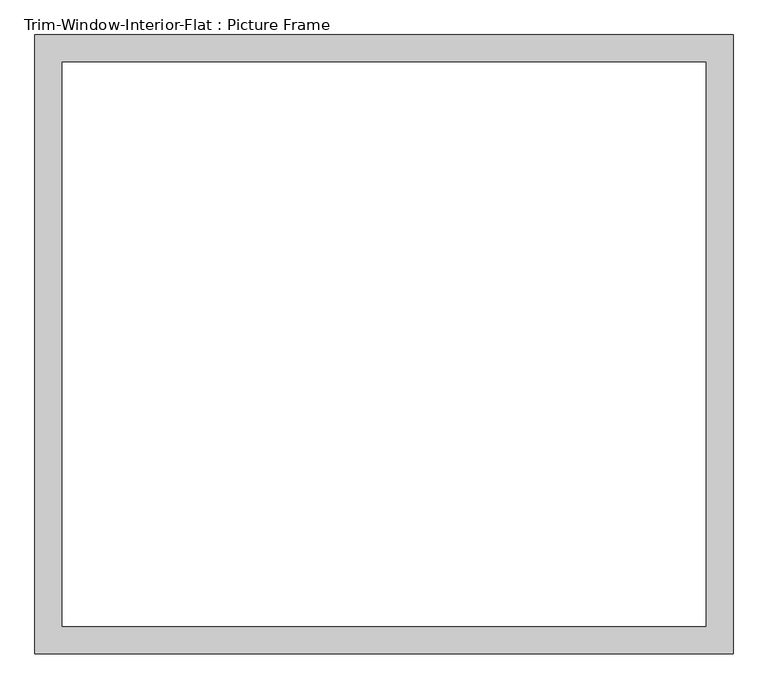
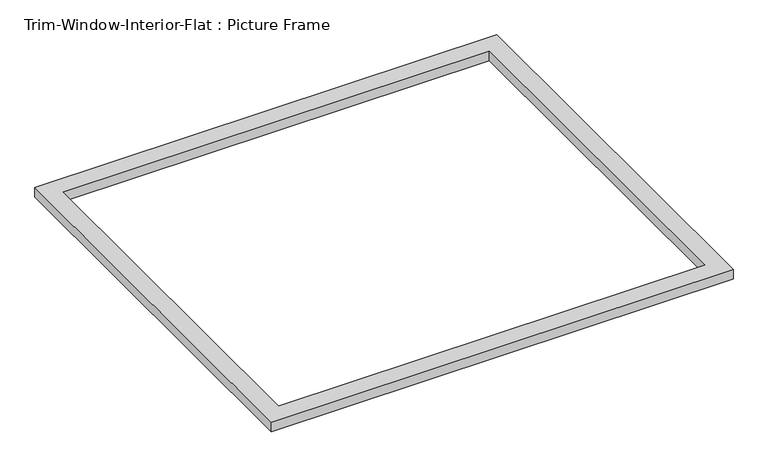
"""IFC4 building model written with IfcOpenShell, lengths in millimetres: proxy geometry, Trim-Window-Interior-Flat : Picture Frame."""

from ifc_helpers import new_model, si_unit, origin, origin_with_axes, place, context, project, spatial, polyline, outline, extrude, source, transform, mapped, element, save


def trim_window_interior_flat_picture_frame_8eebbed1(model_context):
    return source(origin(), model_context, "Body", "SweptSolid", [
        extrude(outline(polyline([(730.25, 44.45), (730.25, -1250.95), (-730.25, -1250.95), (-730.25, 44.45), (730.25, 44.45)]), holes=[polyline([(673.1, -12.7), (-673.1, -12.7), (-673.1, -1193.8), (673.1, -1193.8), (673.1, -12.7)])]), origin_with_axes(), (0.0, 0.0, 1.0), 31.75),
    ])


if __name__ == "__main__":
    model = new_model("IFC4")
    model_context = context("Model", 3, world=origin())
    ifc_project = project(units=[si_unit("LENGTHUNIT", "METRE", prefix="MILLI")], contexts=[model_context])
    site = spatial("IfcSite", under=ifc_project)
    building = spatial("IfcBuilding", under=site)
    placement = place(None, origin())
    trim_window_interior_flat_picture_frame_shape = trim_window_interior_flat_picture_frame_8eebbed1(model_context)
    element("IfcBuildingElementProxy", 1, Name="Trim-Window-Interior-Flat : Picture Frame", ObjectType="Trim-Window-Interior-Flat : Picture Frame", at=placement, inside=building, context=model_context, shape_type="MappedRepresentation", body=[
        mapped(trim_window_interior_flat_picture_frame_shape, transform((0.0, 0.0, 0.0), x_axis=(1.0, 0.0, 0.0), y_axis=(0.0, 1.0, 0.0), z_axis=(0.0, 0.0, 1.0))),
    ])
    save(model, "model.ifc")
